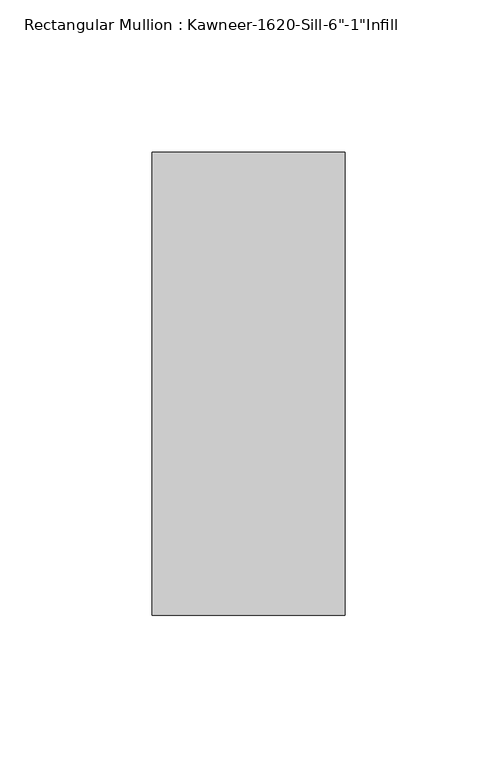
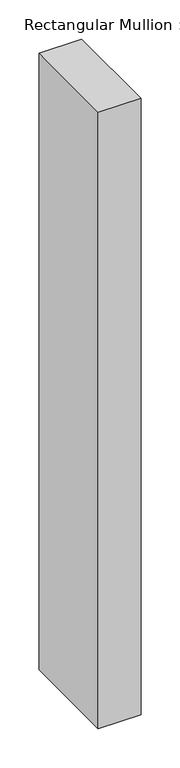
"""IFC4 building model written with IfcOpenShell, lengths in millimetres: member geometry."""

from ifc_helpers import new_model, si_unit, frame, origin, place, context, project, spatial, polyline, outline, extrude, source, transform, mapped, element, save


def member_9303ccea(model_context):
    return source(origin(), model_context, "Body", "SweptSolid", [
        extrude(outline(polyline([(-63.5, 38.1), (0.0, 38.1), (0.0, -114.3), (-63.5, -114.3), (-63.5, 38.1)])), frame((0.0, 0.0, -965.2), z_axis=(0.0, 0.0, 1.0), x_axis=(1.0, 0.0, 0.0)), (0.0, 0.0, 1.0), 965.2),
    ])


if __name__ == "__main__":
    model = new_model("IFC4")
    model_context = context("Model", 3, world=origin())
    ifc_project = project(units=[si_unit("LENGTHUNIT", "METRE", prefix="MILLI")], contexts=[model_context])
    site = spatial("IfcSite", under=ifc_project)
    building = spatial("IfcBuilding", under=site)
    placement = place(None, origin())
    member_shape = member_9303ccea(model_context)
    element("IfcMember", 1, ObjectType="Rectangular Mullion : Kawneer-1620-Sill-6\"-1\"Infill", at=placement, inside=building, context=model_context, shape_type="MappedRepresentation", body=[
        mapped(member_shape, transform((0.0, 0.0, 0.0), x_axis=(1.0, 0.0, 0.0), y_axis=(0.0, 1.0, 0.0), z_axis=(0.0, 0.0, 1.0))),
    ])
    save(model, "model.ifc")
